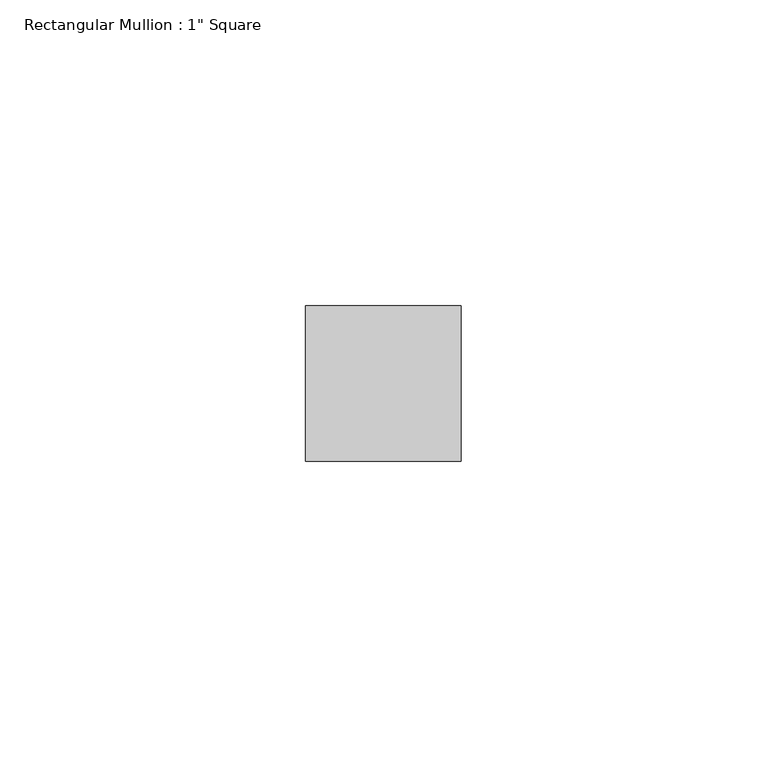
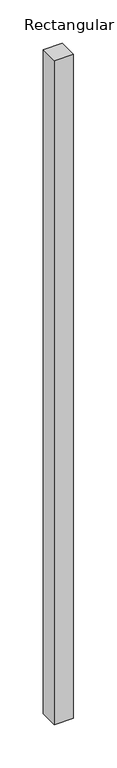
"""IFC4 building model written with IfcOpenShell, lengths in millimetres: member geometry."""

from ifc_helpers import new_model, si_unit, frame, origin, place, context, project, spatial, polyline, outline, extrude, source, transform, mapped, element, save


def member_d3369340(model_context):
    return source(origin(), model_context, "Body", "SweptSolid", [
        extrude(outline(polyline([(0.0, 12.7), (0.0, -12.7), (-25.4, -12.7), (-25.4, 12.7), (0.0, 12.7)])), frame((0.0, 0.0, -935.5883393), z_axis=(0.0, 0.0, 1.0), x_axis=(1.0, 0.0, 0.0)), (0.0, 0.0, 1.0), 935.5883393),
    ])


if __name__ == "__main__":
    model = new_model("IFC4")
    model_context = context("Model", 3, world=origin())
    ifc_project = project(units=[si_unit("LENGTHUNIT", "METRE", prefix="MILLI")], contexts=[model_context])
    site = spatial("IfcSite", under=ifc_project)
    building = spatial("IfcBuilding", under=site)
    placement = place(None, origin())
    member_shape = member_d3369340(model_context)
    element("IfcMember", 1, ObjectType="Rectangular Mullion : 1\" Square", at=placement, inside=building, context=model_context, shape_type="MappedRepresentation", body=[
        mapped(member_shape, transform((0.0, 0.0, 0.0), x_axis=(1.0, 0.0, 0.0), y_axis=(0.0, 1.0, 0.0), z_axis=(0.0, 0.0, 1.0))),
    ])
    save(model, "model.ifc")
